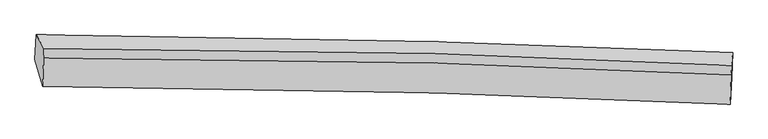
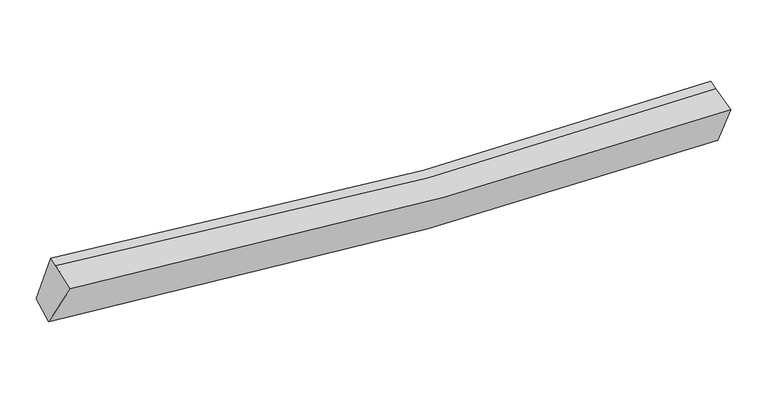
"""IFC4 building model written with IfcOpenShell, lengths in millimetres: proxy geometry."""

from ifc_helpers import new_model, si_unit, frame, origin, place, context, project, spatial, source, transform, mapped, element, save
from ifc_brep_helpers import plane_surface, spline_curve, spline_surface, advanced_brep


def generic_models_a35272f6(model_context):
    return source(origin(), model_context, "Body", "AdvancedBrep", [
        advanced_brep(
        [(-4803.9350555, -1971.0430609, 2904.2258166), (-4784.408092, -1614.1405488, 3045.2908897), (5152.6502382, -1868.6371492, 2605.7091747), (5140.7718074, -2225.6684934, 2464.1196891), (-4694.6814595, -2354.1920903, 3620.926921), (5117.5505262, -2606.5861123, 3189.9037753), (-4679.2897535, -1944.3211545, 3736.0375166), (5132.6085567, -2186.551031, 3266.4126595), (-4674.5702811, -1809.0026352, 3771.627191), (5137.3280292, -2051.2325117, 3302.0023339)],
        [
            (0, 1),
            (1, 2, spline_curve(3, [(-4784.408092, -1614.1405488, 3045.2908897), (-2898.698697098, -1624.369027017, 2808.733146794), (-1011.963800706, -1656.31536569, 2659.395447371), (2300.830100908, -1750.489621288, 2550.386385387), (3726.447981469, -1803.375482939, 2553.196846381), (5152.6502382, -1868.6371492, 2605.7091747)], [4, 2, 4], [0.0, 18.62885701795641, 32.691417825894916])),
            (2, 3),
            (3, 0, spline_curve(3, [(5140.7718074, -2225.6684934, 2464.1196891), (3713.674138204, -2160.369234164, 2411.583163802), (2287.074260204, -2107.454004117, 2408.791259828), (-1028.20379251, -2013.230595883, 2517.942853125), (-2916.506201572, -1981.270681569, 2667.436798917), (-4803.9350555, -1971.0430609, 2904.2258166)], [4, 2, 4], [0.0, 14.062560807938507, 32.691417825894916])),
            (4, 0),
            (3, 5),
            (5, 4, spline_curve(3, [(5117.5505262, -2606.5861123, 3189.9037753), (3705.961665416, -2541.937975242, 3137.786346608), (2296.370286095, -2489.53141289, 3134.673028035), (-975.881536595, -2396.159342048, 3241.355946518), (-2837.034153062, -2364.434563968, 3388.143647089), (-4694.6814595, -2354.1920903, 3620.926921)], [4, 2, 4], [0.0, 13.974189506429408, 32.48597991306319])),
            (6, 4),
            (5, 7),
            (7, 6, spline_curve(3, [(5132.6085567, -2186.551031, 3266.4126595), (3719.00899164, -2116.282046372, 3193.190365196), (2308.292414604, -2061.299421863, 3180.431592685), (-964.516621353, -1969.016999161, 3291.331444643), (-2824.432814137, -1943.256331551, 3460.63183567), (-4679.2897535, -1944.3211545, 3736.0375166)], [4, 2, 4], [0.0, 13.885053444778162, 32.27876415239245])),
            (8, 6),
            (7, 9),
            (9, 8, spline_curve(3, [(5137.3280292, -2051.2325117, 3302.0023339), (3723.728463829, -1980.963527206, 3228.780039433), (2313.011886715, -1925.980902674, 3216.021266997), (-959.797148571, -1833.698479945, 3326.921119159), (-2819.713342056, -1807.937812132, 3496.221510171), (-4674.5702811, -1809.0026352, 3771.627191)], [4, 2, 4], [0.0, 13.889989657960584, 32.29023943131413])),
            (1, 8),
            (9, 2),
        ],
        [
            spline_surface(3, 3, [[(-4803.9350555, -1971.0430609, 2904.2258166), (-2916.506201576, -1981.270681524, 2667.43679922), (-1028.203792246, -2013.230595748, 2517.942852923), (2287.074260005, -2107.454004219, 2408.79125998), (3713.674138294, -2160.36923416, 2411.583163767), (5140.7718074, -2225.6684934, 2464.1196891)], [(-4797.426067662, -1852.075556883, 2951.247507619), (-2910.570366789, -1862.30346336, 2714.535581737), (-1022.790461771, -1894.25885233, 2565.093717791), (2291.659540335, -1988.465876599, 2455.989635085), (3717.932085963, -2041.371317117, 2458.787724578), (5144.731284314, -2106.65804535, 2511.316184291)], [(-4790.917079838, -1733.108052817, 2998.269198681), (-2904.634532015, -1743.336245147, 2761.634364298), (-1017.377131297, -1775.287108957, 2612.244582645), (2296.244820665, -1869.477749023, 2503.188010175), (3722.190033689, -1922.373400024, 2505.992285416), (5148.690761286, -1987.64759725, 2558.512679509)], [(-4784.408092, -1614.1405488, 3045.2908897), (-2898.698697227, -1624.369026984, 2808.733146815), (-1011.963800822, -1656.315365539, 2659.395447513), (2300.830100995, -1750.489621403, 2550.38638528), (3726.447981358, -1803.375482981, 2553.196846227), (5152.6502382, -1868.6371492, 2605.7091747)]], [4, 4], [4, 2, 4], [0.0, 1.2607123094150703], [0.0, 18.62885701795641, 32.691417825894916]),
            spline_surface(3, 3, [[(-4694.6814595, -2354.1920903, 3620.926921), (-2837.034152779, -2364.434564133, 3388.143647109), (-975.881536835, -2396.159342185, 3241.355946458), (2296.370286277, -2489.531412787, 3134.67302808), (3705.961665531, -2541.937975434, 3137.786346832), (5117.5505262, -2606.5861123, 3189.9037753)], [(-4731.099324815, -2226.475747144, 3382.02655288), (-2863.524835694, -2236.713269907, 3147.908031159), (-993.322288647, -2268.516426731, 3000.2182486), (2293.271610844, -2362.172276622, 2892.7124387), (3708.532489793, -2414.748395004, 2895.718619163), (5125.290953274, -2479.613572661, 2947.975746586)], [(-4767.517190185, -2098.759404056, 3143.12618472), (-2890.015518662, -2108.991975749, 2907.67241517), (-1010.763040434, -2140.873511202, 2759.080550782), (2290.172935437, -2234.813140384, 2650.75184936), (3711.103314033, -2287.55881459, 2653.650891436), (5133.031380326, -2352.641033039, 2706.047717814)], [(-4803.9350555, -1971.0430609, 2904.2258166), (-2916.506201576, -1981.270681524, 2667.43679922), (-1028.203792246, -2013.230595748, 2517.942852923), (2287.074260005, -2107.454004219, 2408.79125998), (3713.674138294, -2160.36923416, 2411.583163767), (5140.7718074, -2225.6684934, 2464.1196891)]], [4, 4], [4, 2, 4], [0.0, 2.6900582404672853], [0.0, 18.511790406633782, 32.48597991306319]),
            spline_surface(3, 3, [[(-4679.2897535, -1944.3211545, 3736.0375166), (-2824.43281426, -1943.256331665, 3460.631835928), (-964.516621175, -1969.016999151, 3291.331444548), (2308.292414469, -2061.29942187, 3180.431592757), (3719.008991425, -2116.282046551, 3193.190365099), (5132.6085567, -2186.551031, 3266.4126595)], [(-4684.420322165, -2080.94479978, 3697.667318071), (-2828.633260431, -2083.649075835, 3436.469106326), (-968.304926373, -2111.397780143, 3274.672945191), (2304.318371761, -2204.043418823, 3165.178737871), (3714.6598828, -2258.167356177, 3174.722359012), (5127.589213206, -2326.562724765, 3240.909698102)], [(-4689.550890835, -2217.56844502, 3659.297119529), (-2832.833706608, -2224.041819963, 3412.306376711), (-972.093231637, -2253.778561193, 3258.014445815), (2300.344328985, -2346.787415834, 3149.925882966), (3710.310774156, -2400.052665808, 3156.254352919), (5122.569869694, -2466.574418535, 3215.406736698)], [(-4694.6814595, -2354.1920903, 3620.926921), (-2837.034152779, -2364.434564133, 3388.143647109), (-975.881536835, -2396.159342185, 3241.355946458), (2296.370286277, -2489.531412787, 3134.67302808), (3705.961665531, -2541.937975434, 3137.786346832), (5117.5505262, -2606.5861123, 3189.9037753)]], [4, 4], [4, 2, 4], [0.0, 1.4117235021323087], [0.0, 18.393710707614286, 32.27876415239245]),
            spline_surface(3, 3, [[(-4674.5702811, -1809.0026352, 3771.627191), (-2819.71334186, -1807.937812365, 3496.221510328), (-959.797148775, -1833.698479951, 3326.921118948), (2313.011886869, -1925.98090267, 3216.021267157), (3723.728463925, -1980.963527251, 3228.780039499), (5137.3280292, -2051.2325117, 3302.0023339)], [(-4676.14343859, -1854.108808288, 3759.763966199), (-2821.28649935, -1853.043985452, 3484.358285527), (-961.370306265, -1878.804653039, 3315.057894147), (2311.438729379, -1971.087075758, 3204.158042356), (3722.155306434, -2026.069700339, 3216.916814699), (5135.75487171, -2096.338684788, 3290.139109099)], [(-4677.71659601, -1899.214981412, 3747.900741401), (-2822.859656769, -1898.150158577, 3472.495060728), (-962.943463684, -1923.910826063, 3303.194669349), (2309.86557196, -2016.193248782, 3192.294817557), (3720.582148915, -2071.175873464, 3205.0535899), (5134.18171419, -2141.444857912, 3278.275884301)], [(-4679.2897535, -1944.3211545, 3736.0375166), (-2824.43281426, -1943.256331665, 3460.631835928), (-964.516621175, -1969.016999151, 3291.331444548), (2308.292414469, -2061.29942187, 3180.431592757), (3719.008991425, -2116.282046551, 3193.190365099), (5132.6085567, -2186.551031, 3266.4126595)]], [4, 4], [4, 2, 4], [0.0, 0.45931758530183703], [0.0, 18.400249773353544, 32.29023943131413]),
            spline_surface(3, 3, [[(-4784.408092, -1614.1405488, 3045.2908897), (-2898.698697227, -1624.369026984, 2808.733146815), (-1011.963800822, -1656.315365539, 2659.395447513), (2300.830100995, -1750.489621403, 2550.38638528), (3726.447981358, -1803.375482981, 2553.196846227), (5152.6502382, -1868.6371492, 2605.7091747)], [(-4747.795488367, -1679.094577605, 3287.402990131), (-2872.370245439, -1685.558622116, 3037.89593465), (-994.574916796, -1715.443070331, 2881.904004661), (2304.890696296, -1808.986715147, 2772.264679242), (3725.541475543, -1862.571497741, 2778.391243973), (5147.542835196, -1929.502270037, 2837.806894422)], [(-4711.182884733, -1744.048606395, 3529.515090569), (-2846.041793648, -1746.748217233, 3267.058722493), (-977.1860328, -1774.570775158, 3104.4125618), (2308.951291568, -1867.483808926, 2994.142973195), (3724.634969739, -1921.767512491, 3003.585641753), (5142.435432204, -1990.367390863, 3069.904614178)], [(-4674.5702811, -1809.0026352, 3771.627191), (-2819.71334186, -1807.937812365, 3496.221510328), (-959.797148775, -1833.698479951, 3326.921118948), (2313.011886869, -1925.98090267, 3216.021267157), (3723.728463925, -1980.963527251, 3228.780039499), (5137.3280292, -2051.2325117, 3302.0023339)]], [4, 4], [4, 2, 4], [0.0, 2.269623914629131], [0.0, 18.510781390898583, 32.48420921103029]),
            plane_surface(frame((5136.1818315, -2187.7350595, 2965.6295265), z_axis=(0.9992050473249688, -0.038010405022781746, 0.01202008778299449), x_axis=(-0.03524723465276924, -0.9832012952333765, -0.1790889318208791))),
            plane_surface(frame((-4727.3769283, -1938.539898, 3415.621667), z_axis=(-0.9889269829579665, -0.004522253272230145, 0.14833398667532605), x_axis=(-0.05081631799720434, -0.9287911832042277, -0.3671030370717436))),
        ],
        [
            (0, [[1, 2, 3, 4]]),
            (1, [[5, -4, 6, 7]]),
            (2, [[8, -7, 9, 10]]),
            (3, [[11, -10, 12, 13]]),
            (4, [[14, -13, 15, -2]]),
            (5, [[-9, -6, -3, -15, -12]]),
            (6, [[-1, -5, -8, -11, -14]]),
        ],
    ),
    ])


if __name__ == "__main__":
    model = new_model("IFC4")
    model_context = context("Model", 3, world=origin())
    ifc_project = project(units=[si_unit("LENGTHUNIT", "METRE", prefix="MILLI")], contexts=[model_context])
    site = spatial("IfcSite", under=ifc_project)
    building = spatial("IfcBuilding", under=site)
    placement = place(None, origin())
    generic_models_shape = generic_models_a35272f6(model_context)
    element("IfcBuildingElementProxy", 1, Name="Generic Models", at=placement, inside=building, context=model_context, shape_type="MappedRepresentation", body=[
        mapped(generic_models_shape, transform((0.0, 0.0, 0.0), x_axis=(1.0, 0.0, 0.0), y_axis=(0.0, 1.0, 0.0), z_axis=(0.0, 0.0, 1.0))),
    ])
    save(model, "model.ifc")
